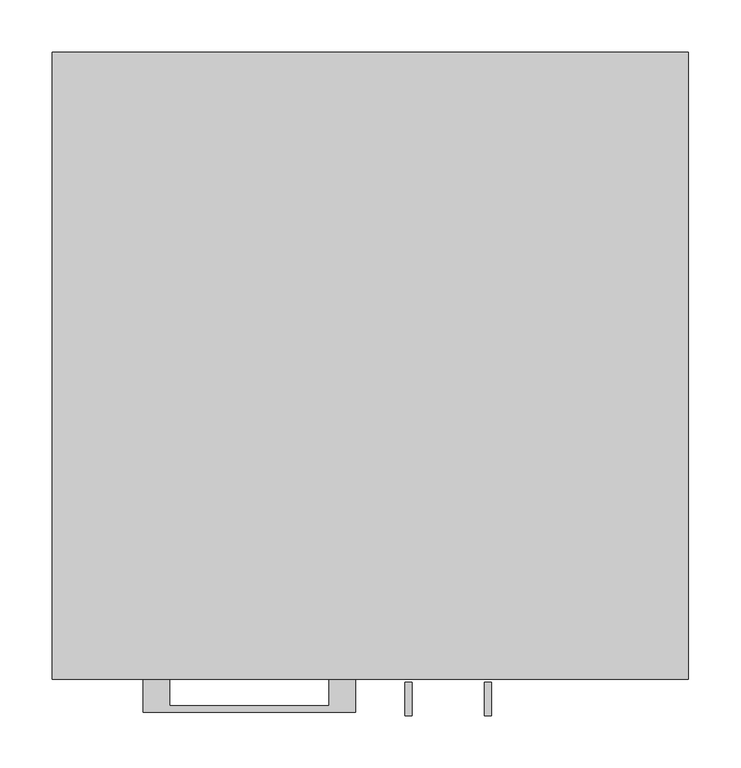
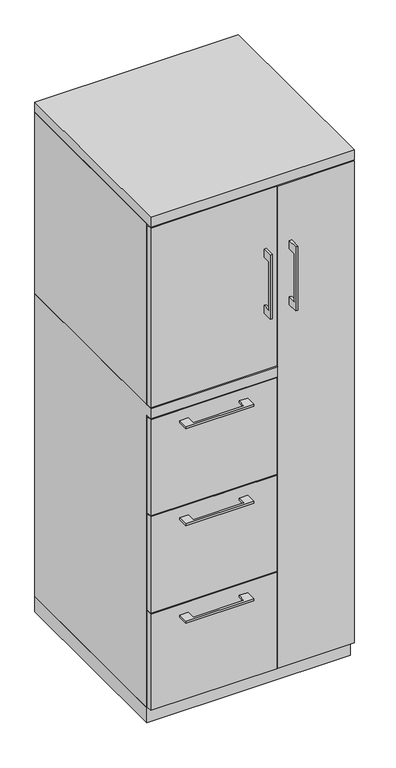
"""IFC4 building model written with IfcOpenShell, lengths in millimetres: furniture geometry."""

import ifcopenshell
import ifcopenshell.guid

model = None  # the IFC model being written
_history = None  # IfcOwnerHistory: only IFC2X3 demands one
_inside = {}  # id of a spatial element -> (the spatial element, [elements in it])
_under = {}  # id of a project, library or spatial element -> (it, [spatial elements below it])
_declared = {}  # id of a project -> (the project, [libraries it declares])
_typed = {}  # id of a type object -> (the type object, [elements of that type])
_made_of = {}  # id of a material, layer set ... -> (it, [elements and type objects made of it])


def new_model(schema):
    """Start an empty IFC model of exactly this schema.

    Asked for "IFC4X3", IfcOpenShell would pick the latest addendum, in which some entities
    have other attributes; the version numbers below select the first issue.
    IFC2X3 requires an IfcOwnerHistory on every rooted entity: one is made here for all.
    """
    global model, _history
    if schema == "IFC4X3":
        model = ifcopenshell.file(schema_version=(4, 3, 0, 0))
    else:
        model = ifcopenshell.file(schema=schema)
    _inside.clear()
    _under.clear()
    _declared.clear()
    _typed.clear()
    _made_of.clear()
    _history = None
    if model.schema == "IFC2X3":
        org = make("IfcOrganization", Name="unknown")
        user = make(
            "IfcPersonAndOrganization",
            ThePerson=make("IfcPerson", FamilyName="unknown"),
            TheOrganization=org,
        )
        app = make(
            "IfcApplication",
            ApplicationDeveloper=org,
            Version="unknown",
            ApplicationFullName="unknown",
            ApplicationIdentifier="unknown",
        )
        _history = make(
            "IfcOwnerHistory",
            OwningUser=user,
            OwningApplication=app,
            ChangeAction="ADDED",
            CreationDate=0,
        )
    return model


def make(cls, **values):
    """One entity of the class cls with the attributes given. An attribute that is None is left unset."""
    return model.create_entity(
        cls, **{name: value for name, value in values.items() if value is not None}
    )


def rooted(cls, **values):
    """An entity with a GlobalId (a new one), such as an element, a storey or a relation."""
    return make(cls, GlobalId=ifcopenshell.guid.new(), OwnerHistory=_history, **values)


def si_unit(unit_type, name, prefix=None):
    """IfcSIUnit, for example si_unit("LENGTHUNIT", "METRE", prefix="MILLI")."""
    return make("IfcSIUnit", UnitType=unit_type, Prefix=prefix, Name=name)


def assignment(units):
    """IfcUnitAssignment: the units of a project."""
    return None if units is None else make("IfcUnitAssignment", Units=units)


def point(xyz):
    """IfcCartesianPoint."""
    return None if xyz is None else make("IfcCartesianPoint", Coordinates=xyz)


def direction(xyz):
    """IfcDirection."""
    return None if xyz is None else make("IfcDirection", DirectionRatios=xyz)


def frame(location, z_axis=None, x_axis=None):
    """IfcAxis2Placement3D, a coordinate frame: its origin and axes. An axis left out is left unset."""
    return make(
        "IfcAxis2Placement3D",
        Location=point(location),
        Axis=direction(z_axis),
        RefDirection=direction(x_axis),
    )


def origin():
    """The frame at (0, 0, 0) with its axes left unset."""
    return frame((0.0, 0.0, 0.0))


def origin_with_axes():
    """The frame at (0, 0, 0) with the z axis (0, 0, 1) and the x axis (1, 0, 0) written out."""
    return frame((0.0, 0.0, 0.0), z_axis=(0.0, 0.0, 1.0), x_axis=(1.0, 0.0, 0.0))


def place(relative_to, where):
    """IfcLocalPlacement: puts the frame where relative to a parent placement (None: the world)."""
    return make(
        "IfcLocalPlacement", PlacementRelTo=relative_to, RelativePlacement=where
    )


def context(
    kind, dimensions, precision=None, world=None, true_north=None, identifier=None
):
    """IfcGeometricRepresentationContext, for example the 3D "Model" context."""
    return make(
        "IfcGeometricRepresentationContext",
        ContextIdentifier=identifier,
        ContextType=kind,
        CoordinateSpaceDimension=dimensions,
        Precision=precision,
        WorldCoordinateSystem=world,
        TrueNorth=true_north,
    )


def project(units=None, contexts=None):
    """IfcProject with its units and contexts."""
    return rooted(
        "IfcProject",
        Name="project",
        RepresentationContexts=contexts,
        UnitsInContext=assignment(units),
    )


def spatial(cls, under=None, at=None, **own):
    """A site, building, storey or space (cls), placed at a placement, below another one or the project."""
    s = rooted(cls, ObjectPlacement=at, **own)
    if under is not None:
        _under.setdefault(under.id(), (under, []))[1].append(s)
    return s


def polyline(points):
    """IfcPolyline through the points."""
    return make("IfcPolyline", Points=[point(p) for p in points])


def outline(outer, holes=None, kind="AREA"):
    """IfcArbitraryClosedProfileDef: a profile drawn as a closed curve; with holes, ...WithVoids."""
    if holes is None:
        return make("IfcArbitraryClosedProfileDef", ProfileType=kind, OuterCurve=outer)
    return make(
        "IfcArbitraryProfileDefWithVoids",
        ProfileType=kind,
        OuterCurve=outer,
        InnerCurves=holes,
    )


def extrude(swept, where, along, depth):
    """IfcExtrudedAreaSolid: the profile swept, set in the frame where, extruded along a direction by depth."""
    return make(
        "IfcExtrudedAreaSolid",
        SweptArea=swept,
        Position=where,
        ExtrudedDirection=direction(along),
        Depth=depth,
    )


def faces_of(points, faces, orient=None, outer=None):
    """IfcFace entities. A face is a list of loops; a loop is a list of indices into points, from 0.

    orient and outer hold one flag for each loop. By default every Orientation is true, the
    first loop of a face is its IfcFaceOuterBound and the others are IfcFaceBound.
    """
    made = []
    for i, loops in enumerate(faces):
        bounds = []
        for j, loop in enumerate(loops):
            is_outer = j == 0 if outer is None else outer[i][j]
            bounds.append(
                make(
                    "IfcFaceOuterBound" if is_outer else "IfcFaceBound",
                    Bound=make("IfcPolyLoop", Polygon=[points[k] for k in loop]),
                    Orientation=True if orient is None else orient[i][j],
                )
            )
        made.append(make("IfcFace", Bounds=bounds))
    return made


def faceted_brep(points, faces, orient=None, outer=None, voids=None):
    """IfcFacetedBrep: a solid bounded by flat faces; with voids (closed shells), ...WithVoids."""
    shared = [point(p) for p in points]
    hull = make("IfcClosedShell", CfsFaces=faces_of(shared, faces, orient, outer))
    if voids is None:
        return make("IfcFacetedBrep", Outer=hull)
    return make(
        "IfcFacetedBrepWithVoids",
        Outer=hull,
        Voids=[
            make(cls, CfsFaces=faces_of(shared, fs, o, b)) for cls, fs, o, b in voids
        ],
    )


def shape(context_of_items, identifier, shape_type, items):
    """IfcShapeRepresentation: the items that make up one representation, for example the "Body"."""
    return make(
        "IfcShapeRepresentation",
        ContextOfItems=context_of_items,
        RepresentationIdentifier=identifier,
        RepresentationType=shape_type,
        Items=items,
    )


def source(mapping_origin, context_of_items, identifier, shape_type, items):
    """IfcRepresentationMap: a shape defined once, which mapped items show again and again."""
    return make(
        "IfcRepresentationMap",
        MappingOrigin=mapping_origin,
        MappedRepresentation=shape(context_of_items, identifier, shape_type, items),
    )


def transform(
    local_origin,
    x_axis=None,
    y_axis=None,
    z_axis=None,
    scale=None,
    scale2=None,
    scale3=None,
    uniform=True,
):
    """IfcCartesianTransformationOperator3D, or its non-uniform kind. x_axis, y_axis, z_axis: its Axis1, 2, 3."""
    if uniform:
        return make(
            "IfcCartesianTransformationOperator3D",
            Axis1=direction(x_axis),
            Axis2=direction(y_axis),
            LocalOrigin=point(local_origin),
            Scale=scale,
            Axis3=direction(z_axis),
        )
    return make(
        "IfcCartesianTransformationOperator3DnonUniform",
        Axis1=direction(x_axis),
        Axis2=direction(y_axis),
        LocalOrigin=point(local_origin),
        Scale=scale,
        Axis3=direction(z_axis),
        Scale2=scale2,
        Scale3=scale3,
    )


def mapped(mapping_source, mapping_target):
    """IfcMappedItem: shows the shape of a source again, moved by a transform."""
    return make(
        "IfcMappedItem", MappingSource=mapping_source, MappingTarget=mapping_target
    )


def made_of(thing, what):
    """Note that an element or type object is made of a material, layer set ...; save() writes the relation."""
    if what is not None:
        _made_of.setdefault(what.id(), (what, []))[1].append(thing)
    return thing


def element(
    cls,
    number,
    at=None,
    inside=None,
    cuts=None,
    type_object=None,
    material=None,
    context=None,
    identifier="Body",
    shape_type=None,
    held_by="IfcProductDefinitionShape",
    body=None,
    shapes=None,
    **own,
):
    """One element of the class cls, such as IfcWall. Its Tag is "e" and its number.

    at: its placement. inside: the storey or other place that contains it. cuts: it is an
    opening in that element (IfcRelVoidsElement). A single representation is given by context,
    identifier, shape_type and body (its items); several are given by shapes. held_by: the class
    of the entity that holds the representations. save() writes the other relations.
    """
    e = rooted(cls, Tag="e%d" % number, ObjectPlacement=at, **own)
    if body is not None:
        shapes = [shape(context, identifier, shape_type, body)]
    if shapes is not None:
        e.Representation = make(held_by, Representations=shapes)
    if inside is not None:
        _inside.setdefault(inside.id(), (inside, []))[1].append(e)
    if cuts is not None:
        rooted(
            "IfcRelVoidsElement", RelatingBuildingElement=cuts, RelatedOpeningElement=e
        )
    if type_object is not None:
        _typed.setdefault(type_object.id(), (type_object, []))[1].append(e)
    return made_of(e, material)


def aggregate(whole, parts):
    """IfcRelAggregates: a whole, such as a stair, and the parts it consists of."""
    return rooted("IfcRelAggregates", RelatingObject=whole, RelatedObjects=parts)


def save(model, path):
    """Write the relations noted so far, then the file.

    IfcRelAggregates (storeys below a building ...), IfcRelContainedInSpatialStructure (elements
    in a storey), IfcRelDefinesByType, IfcRelAssociatesMaterial and IfcRelDeclares: one each for
    every whole, place, type object, material and project.
    """
    for whole, parts in _under.values():
        aggregate(whole, parts)
    for where, things in _inside.values():
        rooted(
            "IfcRelContainedInSpatialStructure",
            RelatedElements=things,
            RelatingStructure=where,
        )
    for kind, things in _typed.values():
        rooted("IfcRelDefinesByType", RelatedObjects=things, RelatingType=kind)
    for what, things in _made_of.values():
        rooted("IfcRelAssociatesMaterial", RelatedObjects=things, RelatingMaterial=what)
    for by, libraries in _declared.values():
        rooted("IfcRelDeclares", RelatingContext=by, RelatedDefinitions=libraries)
    model.write(path)


def furniture_334fd763(model_context):
    return source(origin(), model_context, "Body", "SolidModel", [
        extrude(outline(polyline([(-192.0874818, -600.075), (-192.0874818, -625.4749758), (-39.6875, -625.4749758), (-39.6875, -600.075), (-14.2875061, -600.075), (-14.2875061, -631.8249879), (-217.4874939, -631.8249879), (-217.4874939, -600.075), (-192.0874818, -600.075)])), frame((0.0, 0.0, 931.8625506), z_axis=(0.0, 0.0, 1.0), x_axis=(1.0, 0.0, 0.0)), (0.0, 0.0, 1.0), 6.3499758),
        extrude(outline(polyline([(73.025, -581.025), (73.025, -600.075), (-304.8, -600.075), (-304.8, -581.025), (73.025, -581.025)])), frame((0.0, 0.0, 666.75), z_axis=(0.0, 0.0, 1.0), x_axis=(1.0, 0.0, 0.0)), (0.0, 0.0, 1.0), 304.8),
        extrude(outline(polyline([(-603.25, 1370.0125), (-628.6499758, 1370.0125), (-628.6499758, 1217.6125), (-603.25, 1217.6125), (-603.25, 1192.2125), (-634.9999879, 1192.2125), (-634.9999879, 1395.4125), (-603.25, 1395.4125), (-603.25, 1370.0125)])), frame((33.3375121, 0.0, 0.0), z_axis=(1.0, 0.0, 0.0), x_axis=(0.0, 1.0, 0.0)), (0.0, 0.0, 1.0), 6.3499758),
        extrude(outline(polyline([(-304.8, -600.075), (-304.8, -581.025), (73.025, -581.025), (73.025, -600.075), (-304.8, -600.075)])), frame((0.0, 0.0, 1009.65), z_axis=(0.0, 0.0, 1.0), x_axis=(1.0, 0.0, 0.0)), (0.0, 0.0, 1.0), 568.325),
        extrude(outline(polyline([(-192.0874818, -600.075), (-192.0874818, -625.4749758), (-39.6875, -625.4749758), (-39.6875, -600.075), (-14.2875061, -600.075), (-14.2875061, -631.8249879), (-217.4874939, -631.8249879), (-217.4874939, -600.075), (-192.0874818, -600.075)])), frame((0.0, 0.0, 623.8875506), z_axis=(0.0, 0.0, 1.0), x_axis=(1.0, 0.0, 0.0)), (0.0, 0.0, 1.0), 6.3499758),
        extrude(outline(polyline([(73.025, -581.025), (73.025, -600.075), (-304.8, -600.075), (-304.8, -581.025), (73.025, -581.025)])), frame((0.0, 0.0, 358.775), z_axis=(0.0, 0.0, 1.0), x_axis=(1.0, 0.0, 0.0)), (0.0, 0.0, 1.0), 304.8),
        extrude(outline(polyline([(-603.25, 1370.0125), (-628.6499758, 1370.0125), (-628.6499758, 1217.6125), (-603.25, 1217.6125), (-603.25, 1192.2125), (-634.9999879, 1192.2125), (-634.9999879, 1395.4125), (-603.25, 1395.4125), (-603.25, 1370.0125)])), frame((109.5375121, 0.0, 0.0), z_axis=(1.0, 0.0, 0.0), x_axis=(0.0, 1.0, 0.0)), (0.0, 0.0, 1.0), 6.3499758),
        extrude(outline(polyline([(304.8, -600.075), (76.2, -600.075), (76.2, -581.025), (304.8, -581.025), (304.8, -600.075)])), frame((0.0, 0.0, 50.8), z_axis=(0.0, 0.0, 1.0), x_axis=(1.0, 0.0, 0.0)), (0.0, 0.0, 1.0), 1527.175),
        extrude(outline(polyline([(-192.0874818, -600.075), (-192.0874818, -625.4749758), (-39.6875, -625.4749758), (-39.6875, -600.075), (-14.2875061, -600.075), (-14.2875061, -631.8249879), (-217.4874939, -631.8249879), (-217.4874939, -600.075), (-192.0874818, -600.075)])), frame((0.0, 0.0, 315.9125506), z_axis=(0.0, 0.0, 1.0), x_axis=(1.0, 0.0, 0.0)), (0.0, 0.0, 1.0), 6.3499758),
        extrude(outline(polyline([(73.025, -581.025), (73.025, -600.075), (-304.8, -600.075), (-304.8, -581.025), (73.025, -581.025)])), frame((0.0, 0.0, 50.8), z_axis=(0.0, 0.0, 1.0), x_axis=(1.0, 0.0, 0.0)), (0.0, 0.0, 1.0), 304.8),
        faceted_brep([(-304.8, -581.025, 47.625), (-304.8, 0.0, 47.625), (76.2, 0.0, 47.625), (76.2, -581.025, 47.625), (-304.8, 0.0, 1006.475), (76.2, 0.0, 1006.475), (-304.8, -581.025, 974.725), (-304.8, -600.075, 974.725), (-304.8, -600.075, 1006.475), (76.2, -581.025, 974.725), (57.15, -581.025, 974.725), (76.2, -581.025, 1581.15), (57.15, -581.025, 1581.15), (57.15, -581.025, 1006.475), (76.2, -581.025, 1006.475), (76.2, -19.05, 1006.475), (76.2, -19.05, 1581.15), (76.2, -600.075, 1006.475), (76.2, -600.075, 974.725), (57.15, -19.05, 1581.15), (57.15, -19.05, 1006.475)], [[[0, 1, 2, 3]], [[2, 1, 4, 5]], [[4, 1, 0, 6, 7, 8]], [[6, 0, 3, 9, 10]], [[11, 12, 13, 14]], [[2, 5, 15, 16, 11, 14, 17, 18, 9, 3]], [[16, 19, 12, 11]], [[19, 16, 15, 20]], [[12, 19, 20, 13]], [[5, 4, 8, 17, 14, 13, 20, 15]], [[18, 7, 6, 10, 9]], [[17, 8, 7, 18]]]),
        extrude(outline(polyline([(76.2, 0.0), (76.2, -19.05), (-285.75, -19.05), (-285.75, -581.025), (-304.8, -581.025), (-304.8, 0.0), (76.2, 0.0)])), frame((0.0, 0.0, 1006.475), z_axis=(0.0, 0.0, 1.0), x_axis=(1.0, 0.0, 0.0)), (0.0, 0.0, 1.0), 574.675),
        extrude(outline(polyline([(304.8, 0.0), (304.8, -581.025), (285.75, -581.025), (285.75, -19.05), (76.2, -19.05), (76.2, 0.0), (304.8, 0.0)])), frame((0.0, 0.0, 47.625), z_axis=(0.0, 0.0, 1.0), x_axis=(1.0, 0.0, 0.0)), (0.0, 0.0, 1.0), 1533.525),
        extrude(outline(polyline([(304.8, 0.0), (304.8, -600.075), (-304.8, -600.075), (-304.8, 0.0), (304.8, 0.0)])), frame((0.0, 0.0, 1581.15), z_axis=(0.0, 0.0, 1.0), x_axis=(1.0, 0.0, 0.0)), (0.0, 0.0, 1.0), 31.75),
        extrude(outline(polyline([(304.8, 0.0), (304.8, -581.025), (-304.8, -581.025), (-304.8, 0.0), (304.8, 0.0)])), origin_with_axes(), (0.0, 0.0, 1.0), 47.625),
    ])


if __name__ == "__main__":
    model = new_model("IFC4")
    model_context = context("Model", 3, world=origin())
    ifc_project = project(units=[si_unit("LENGTHUNIT", "METRE", prefix="MILLI")], contexts=[model_context])
    site = spatial("IfcSite", under=ifc_project)
    building = spatial("IfcBuilding", under=site)
    placement = place(None, origin())
    furniture_shape = furniture_334fd763(model_context)
    element("IfcFurniture", 1, at=placement, inside=building, context=model_context, shape_type="MappedRepresentation", body=[
        mapped(furniture_shape, transform((0.0, 0.0, 0.0), x_axis=(1.0, 0.0, 0.0), y_axis=(0.0, 1.0, 0.0), z_axis=(0.0, 0.0, 1.0))),
    ])
    save(model, "model.ifc")
